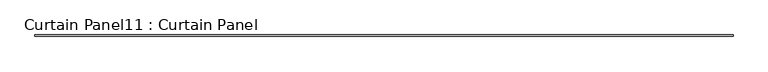
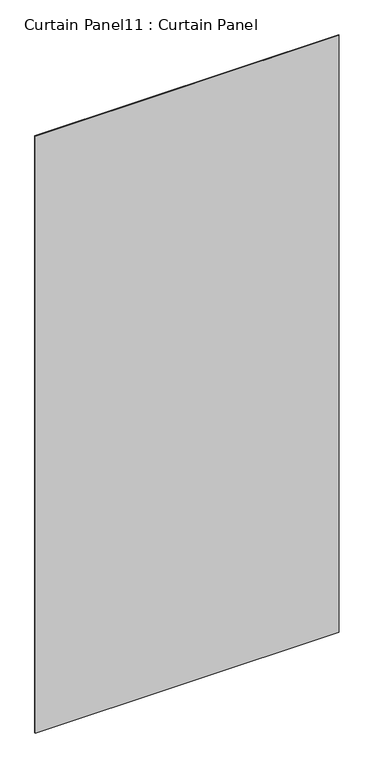
"""IFC4 building model written with IfcOpenShell, lengths in millimetres: plate geometry, Curtain Panel11 : Curtain Panel."""

from ifc_helpers import new_model, si_unit, frame, origin, place, context, project, spatial, polyline, outline, extrude, source, transform, mapped, element, save


def curtain_panel11_curtain_panel_ca8a5c5b(model_context):
    return source(origin(), model_context, "Body", "SweptSolid", [
        extrude(outline(polyline([(206060.0094143, 2938.3096955), (203168.3763112, 2938.3096955), (203168.3763112, 2944.6596955), (206060.0094143, 2944.6596955), (206060.0094143, 2938.3096955)])), frame((0.0, 0.0, 1147.4303518), z_axis=(0.0, 0.0, 1.0), x_axis=(1.0, 0.0, 0.0)), (0.0, 0.0, 1.0), 6000.75),
    ])


if __name__ == "__main__":
    model = new_model("IFC4")
    model_context = context("Model", 3, world=origin())
    ifc_project = project(units=[si_unit("LENGTHUNIT", "METRE", prefix="MILLI")], contexts=[model_context])
    site = spatial("IfcSite", under=ifc_project)
    building = spatial("IfcBuilding", under=site)
    placement = place(None, origin())
    curtain_panel11_curtain_panel_shape = curtain_panel11_curtain_panel_ca8a5c5b(model_context)
    element("IfcPlate", 1, ObjectType="Curtain Panel11 : Curtain Panel", at=placement, inside=building, context=model_context, shape_type="MappedRepresentation", body=[
        mapped(curtain_panel11_curtain_panel_shape, transform((0.0, 0.0, 0.0), x_axis=(1.0, 0.0, 0.0), y_axis=(0.0, 1.0, 0.0), z_axis=(0.0, 0.0, 1.0))),
    ])
    save(model, "model.ifc")
